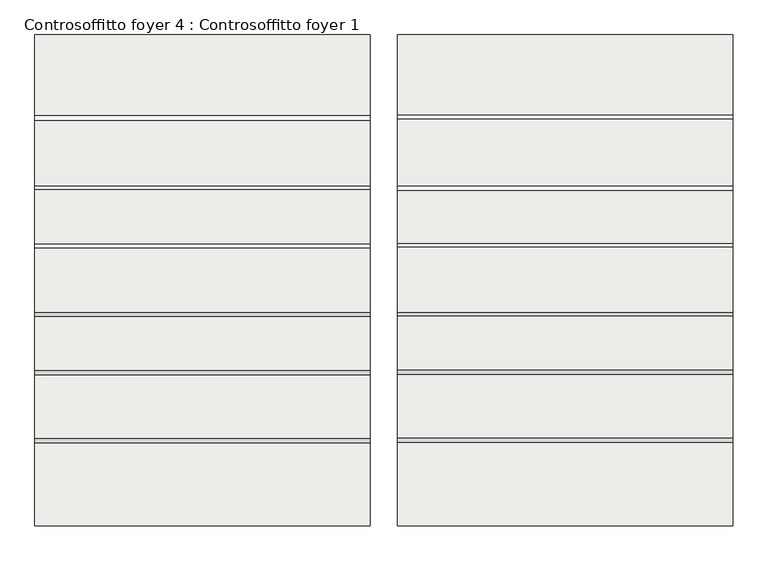
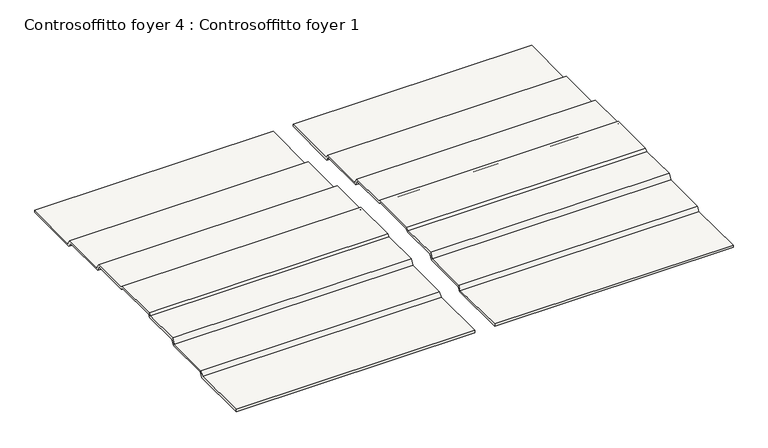
"""IFC4 building model written with IfcOpenShell, lengths in millimetres: slab geometry, Controsoffitto foyer 4 : Controsoffitto foyer 1."""

from ifc_helpers import new_model, si_unit, frame, origin, place, context, project, spatial, polyline, outline, extrude, source, transform, mapped, element, save


def controsoffitto_foyer_4_controsoffitto_foyer_1_ea1db174(model_context):
    return source(origin(), model_context, "Body", "SweptSolid", [
        extrude(outline(polyline([(117084.489529, 6380.3601919), (115978.1217872, 6391.5306895), (115978.1217872, 6431.5327282), (117063.8144408, 6420.5709777), (117119.4180492, 6499.9811602), (117962.4077073, 6499.9811602), (118022.2372701, 6592.1106079), (118732.4199723, 6588.3398216), (118774.7210328, 6623.8346259), (119632.5977242, 6623.8346259), (119682.3237519, 6582.1095343), (120392.8153738, 6582.1095343), (120447.0599558, 6491.8313895), (121308.6540967, 6491.8313895), (121371.3180966, 6402.3379229), (122429.3735527, 6415.2721394), (122429.3735527, 6375.2691507), (121350.6742127, 6362.0825727), (121287.8314147, 6451.8313895), (120424.4290446, 6451.8313895), (120370.376431, 6541.7900455), (119668.1456946, 6541.7900455), (119618.10376, 6583.7802143), (118789.2149969, 6583.7802143), (118746.8865689, 6548.262446), (118043.880504, 6551.9951271), (117984.1259352, 6459.9811602), (117140.2407313, 6459.9811602), (117084.489529, 6380.3601919)])), frame((-11790.776733, 0.0, 0.0), z_axis=(1.0, 0.0, 0.0), x_axis=(0.0, 1.0, 0.0)), (0.0, 0.0, 1.0), 4406.1618026),
        extrude(outline(polyline([(117094.4193285, 6380.2599351), (115978.1217872, 6391.5306895), (115978.1217872, 6431.5327282), (117073.7442403, 6420.470721), (117125.9170115, 6494.9811602), (117969.1606693, 6494.9811602), (118028.9670273, 6587.0748755), (118736.4357933, 6583.3184992), (118784.7210328, 6623.8346259), (119647.5977242, 6623.8346259), (119691.364984, 6587.1095343), (120389.8110707, 6587.1095343), (120447.0599558, 6491.8313895), (121318.6540967, 6491.8313895), (121374.2905777, 6412.37426), (122429.3735527, 6425.2721394), (122429.3735527, 6385.2691507), (121353.6466938, 6372.1189099), (121297.8314147, 6451.8313895), (120424.4290446, 6451.8313895), (120367.3721279, 6546.7900455), (119677.1869266, 6546.7900455), (119633.10376, 6583.7802143), (118799.2149969, 6583.7802143), (118750.9023899, 6543.2411236), (118050.6102612, 6546.9593948), (117990.8788973, 6454.9811602), (117146.7396936, 6454.9811602), (117094.4193285, 6380.2599351)])), frame((-7021.228556, 0.0, 0.0), z_axis=(1.0, 0.0, 0.0), x_axis=(0.0, 1.0, 0.0)), (0.0, 0.0, 1.0), 4406.1618026),
    ])


if __name__ == "__main__":
    model = new_model("IFC4")
    model_context = context("Model", 3, world=origin())
    ifc_project = project(units=[si_unit("LENGTHUNIT", "METRE", prefix="MILLI")], contexts=[model_context])
    site = spatial("IfcSite", under=ifc_project)
    building = spatial("IfcBuilding", under=site)
    placement = place(None, origin())
    controsoffitto_foyer_4_controsoffitto_foyer_1_shape = controsoffitto_foyer_4_controsoffitto_foyer_1_ea1db174(model_context)
    element("IfcSlab", 1, ObjectType="Controsoffitto foyer 4 : Controsoffitto foyer 1", at=placement, inside=building, context=model_context, shape_type="MappedRepresentation", body=[
        mapped(controsoffitto_foyer_4_controsoffitto_foyer_1_shape, transform((0.0, 0.0, 0.0), x_axis=(1.0, 0.0, 0.0), y_axis=(0.0, 1.0, 0.0), z_axis=(0.0, 0.0, 1.0))),
    ])
    save(model, "model.ifc")
